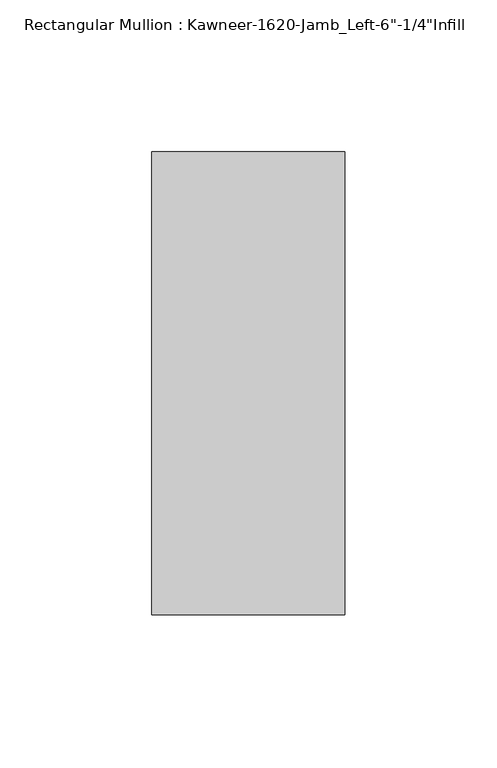
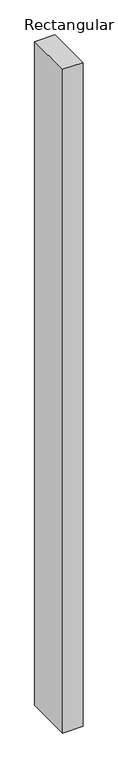
"""IFC4 building model written with IfcOpenShell, lengths in millimetres: member geometry."""

from ifc_helpers import new_model, si_unit, frame, origin, place, context, project, spatial, polyline, outline, extrude, source, transform, mapped, element, save


def member_34c28db2(model_context):
    return source(origin(), model_context, "Body", "SweptSolid", [
        extrude(outline(polyline([(-63.5, 28.575), (0.0, 28.575), (0.0, -123.825), (-63.5, -123.825), (-63.5, 28.575)])), frame((0.0, 0.0, -2203.45), z_axis=(0.0, 0.0, 1.0), x_axis=(1.0, 0.0, 0.0)), (0.0, 0.0, 1.0), 2203.45),
    ])


if __name__ == "__main__":
    model = new_model("IFC4")
    model_context = context("Model", 3, world=origin())
    ifc_project = project(units=[si_unit("LENGTHUNIT", "METRE", prefix="MILLI")], contexts=[model_context])
    site = spatial("IfcSite", under=ifc_project)
    building = spatial("IfcBuilding", under=site)
    placement = place(None, origin())
    member_shape = member_34c28db2(model_context)
    element("IfcMember", 1, ObjectType="Rectangular Mullion : Kawneer-1620-Jamb_Left-6\"-1/4\"Infill", at=placement, inside=building, context=model_context, shape_type="MappedRepresentation", body=[
        mapped(member_shape, transform((0.0, 0.0, 0.0), x_axis=(1.0, 0.0, 0.0), y_axis=(0.0, 1.0, 0.0), z_axis=(0.0, 0.0, 1.0))),
    ])
    save(model, "model.ifc")
